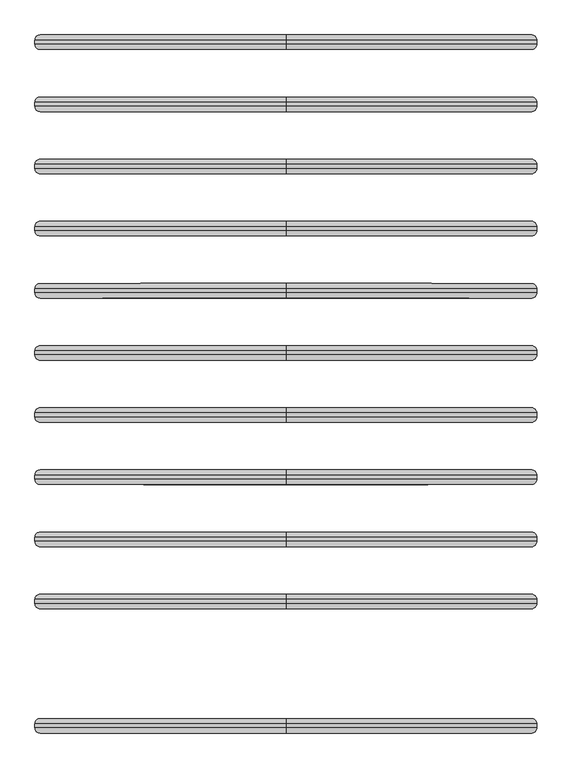
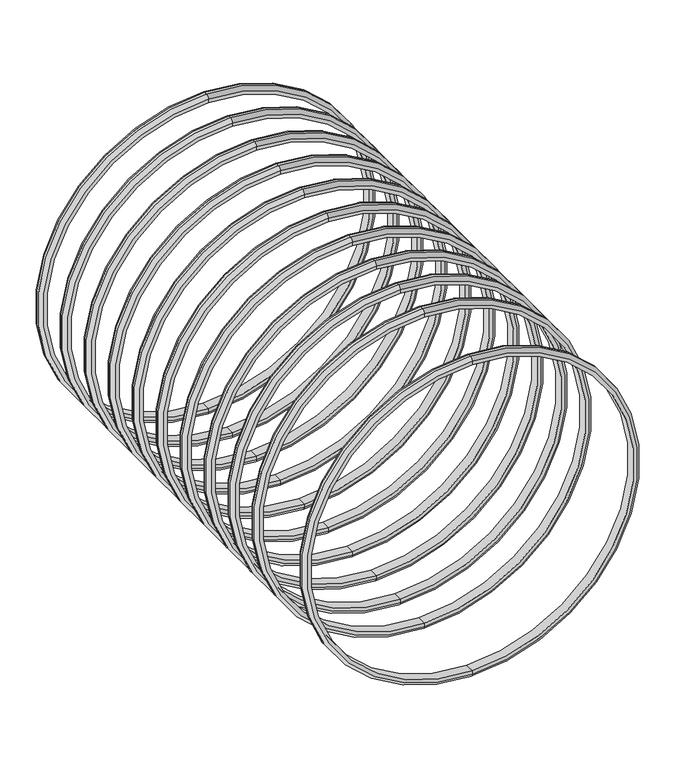
"""IFC4 building model written with IfcOpenShell, lengths in millimetres: proxy geometry."""

from ifc_helpers import new_model, si_unit, point, frame, origin, place, context, project, spatial, polyline, circle_curve, ellipse_curve, trimmed, source, transform, mapped, element, save
from ifc_brep_helpers import plane_surface, cylinder_surface, revolved_surface, advanced_brep


def generic_models_9ea2743e(model_context):
    return source(origin(), model_context, "Body", "AdvancedBrep", [
        advanced_brep(
        [(0.0, -10934.5, -5669.0), (0.0, -10934.5, -3331.0), (0.0, -10934.5, -3306.0), (0.0, -10934.5, -5694.0), (0.0, -10864.5, -5669.0), (0.0, -10864.5, -3331.0), (0.0, -10864.5, -5694.0), (0.0, -10864.5, -3306.0), (0.0, -10909.5, -3281.0), (0.0, -10909.5, -5719.0), (0.0, -10889.5, -3281.0), (0.0, -10889.5, -5719.0)],
        [
            (0, 1, circle_curve(frame((0.0, -10934.5, -4500.0), z_axis=(0.0, 1.0, 0.0), x_axis=(0.0, 0.0, 1.0)), 1169.0)),
            (1, 2),
            (2, 3, circle_curve(frame((0.0, -10934.5, -4500.0), z_axis=(0.0, -1.0, 0.0), x_axis=(0.0, 0.0, 1.0)), 1194.0)),
            (3, 0),
            (4, 5, circle_curve(frame((0.0, -10864.5, -4500.0), z_axis=(0.0, 1.0, 0.0), x_axis=(0.0, 0.0, 1.0)), 1169.0)),
            (5, 1),
            (0, 4),
            (6, 7, circle_curve(frame((0.0, -10864.5, -4500.0), z_axis=(0.0, 1.0, 0.0), x_axis=(0.0, 0.0, 1.0)), 1194.0)),
            (7, 5),
            (4, 6),
            (7, 6, circle_curve(frame((0.0, -10864.5, -4500.0), z_axis=(0.0, 1.0, 0.0), x_axis=(0.0, 0.0, 1.0)), 1194.0)),
            (4, 5, circle_curve(frame((0.0, -10864.5, -4500.0), z_axis=(0.0, -1.0, 0.0), x_axis=(0.0, 0.0, 1.0)), 1169.0)),
            (0, 1, circle_curve(frame((0.0, -10934.5, -4500.0), z_axis=(0.0, -1.0, 0.0), x_axis=(0.0, 0.0, 1.0)), 1169.0)),
            (3, 2, circle_curve(frame((0.0, -10934.5, -4500.0), z_axis=(0.0, -1.0, 0.0), x_axis=(0.0, 0.0, 1.0)), 1194.0)),
            (2, 8, circle_curve(frame((0.0, -10909.5, -3306.0), z_axis=(-1.0, 0.0, 0.0), x_axis=(0.0, -1.0, 0.0)), 25.0)),
            (8, 9, circle_curve(frame((0.0, -10909.5, -4500.0), z_axis=(0.0, -1.0, 0.0), x_axis=(0.0, 0.0, 1.0)), 1219.0)),
            (9, 3, circle_curve(frame((0.0, -10909.5, -5694.0), z_axis=(-1.0, 0.0, 0.0), x_axis=(0.0, -1.0, 0.0)), 25.0)),
            (9, 8, circle_curve(frame((0.0, -10909.5, -4500.0), z_axis=(0.0, -1.0, 0.0), x_axis=(0.0, 0.0, 1.0)), 1219.0)),
            (8, 10),
            (10, 11, circle_curve(frame((0.0, -10889.5, -4500.0), z_axis=(0.0, -1.0, 0.0), x_axis=(0.0, 0.0, 1.0)), 1219.0)),
            (11, 9),
            (11, 10, circle_curve(frame((0.0, -10889.5, -4500.0), z_axis=(0.0, -1.0, 0.0), x_axis=(0.0, 0.0, 1.0)), 1219.0)),
            (10, 7, circle_curve(frame((0.0, -10889.5, -3306.0), z_axis=(-1.0, 0.0, 0.0), x_axis=(0.0, -1.0, 0.0)), 25.0)),
            (6, 11, circle_curve(frame((0.0, -10889.5, -5694.0), z_axis=(-1.0, 0.0, 0.0), x_axis=(0.0, -1.0, 0.0)), 25.0)),
        ],
        [
            plane_surface(frame((0.0, -10934.5, -4500.0), z_axis=(0.0, -1.0, 0.0), x_axis=(0.0, 0.0, 1.0))),
            revolved_surface(polyline([(0.0, -10934.5, -3331.0), (0.0, -10864.5, -3331.0)]), (0.0, -11044.5, -4500.0), (0.0, -1.0, 0.0)),
            plane_surface(frame((0.0, -10864.5, -4500.0), z_axis=(0.0, 1.0, 0.0), x_axis=(0.0, 0.0, 1.0))),
            revolved_surface(trimmed(ellipse_curve(frame((0.0, -10909.5, -3306.0), z_axis=(1.0, 0.0, 0.0), x_axis=(0.0, -1.0, 0.0)), 25.0, 25.0), [point((0.0, -10909.5, -3281.0))], [point((0.0, -10934.5, -3306.0))], True, "CARTESIAN"), (0.0, -11044.5, -4500.0), (0.0, -1.0, 0.0)),
            cylinder_surface(frame((0.0, -11044.5, -4500.0), z_axis=(0.0, -1.0, 0.0), x_axis=(0.0, 0.0, 1.0)), 1219.0),
            revolved_surface(trimmed(ellipse_curve(frame((0.0, -10889.5, -3306.0), z_axis=(1.0, 0.0, 0.0), x_axis=(0.0, -1.0, 0.0)), 25.0, 25.0), [point((0.0, -10864.5, -3306.0))], [point((0.0, -10889.5, -3281.0))], True, "CARTESIAN"), (0.0, -11044.5, -4500.0), (0.0, -1.0, 0.0)),
        ],
        [
            (0, [[1, 2, 3, 4]]),
            (1, [[5, 6, -1, 7]]),
            (2, [[8, 9, -5, 10]]),
            (2, [[11, -10, 12, -9]]),
            (1, [[-12, -7, 13, -6]]),
            (0, [[-13, -4, 14, -2]]),
            (3, [[-3, 15, 16, 17]]),
            (3, [[-14, -17, 18, -15]]),
            (4, [[-16, 19, 20, 21]]),
            (4, [[-18, -21, 22, -19]]),
            (5, [[-20, 23, -8, 24]]),
            (5, [[-22, -24, -11, -23]]),
        ],
    ),
        advanced_brep(
        [(0.0, -10334.5, -5669.0), (0.0, -10334.5, -3331.0), (0.0, -10334.5, -3306.0), (0.0, -10334.5, -5694.0), (0.0, -10264.5, -5669.0), (0.0, -10264.5, -3331.0), (0.0, -10264.5, -5694.0), (0.0, -10264.5, -3306.0), (0.0, -10309.5, -3281.0), (0.0, -10309.5, -5719.0), (0.0, -10289.5, -3281.0), (0.0, -10289.5, -5719.0)],
        [
            (0, 1, circle_curve(frame((0.0, -10334.5, -4500.0), z_axis=(0.0, 1.0, 0.0), x_axis=(0.0, 0.0, 1.0)), 1169.0)),
            (1, 2),
            (2, 3, circle_curve(frame((0.0, -10334.5, -4500.0), z_axis=(0.0, -1.0, 0.0), x_axis=(0.0, 0.0, 1.0)), 1194.0)),
            (3, 0),
            (4, 5, circle_curve(frame((0.0, -10264.5, -4500.0), z_axis=(0.0, 1.0, 0.0), x_axis=(0.0, 0.0, 1.0)), 1169.0)),
            (5, 1),
            (0, 4),
            (6, 7, circle_curve(frame((0.0, -10264.5, -4500.0), z_axis=(0.0, 1.0, 0.0), x_axis=(0.0, 0.0, 1.0)), 1194.0)),
            (7, 5),
            (4, 6),
            (7, 6, circle_curve(frame((0.0, -10264.5, -4500.0), z_axis=(0.0, 1.0, 0.0), x_axis=(0.0, 0.0, 1.0)), 1194.0)),
            (4, 5, circle_curve(frame((0.0, -10264.5, -4500.0), z_axis=(0.0, -1.0, 0.0), x_axis=(0.0, 0.0, 1.0)), 1169.0)),
            (0, 1, circle_curve(frame((0.0, -10334.5, -4500.0), z_axis=(0.0, -1.0, 0.0), x_axis=(0.0, 0.0, 1.0)), 1169.0)),
            (3, 2, circle_curve(frame((0.0, -10334.5, -4500.0), z_axis=(0.0, -1.0, 0.0), x_axis=(0.0, 0.0, 1.0)), 1194.0)),
            (2, 8, circle_curve(frame((0.0, -10309.5, -3306.0), z_axis=(-1.0, 0.0, 0.0), x_axis=(0.0, -1.0, 0.0)), 25.0)),
            (8, 9, circle_curve(frame((0.0, -10309.5, -4500.0), z_axis=(0.0, -1.0, 0.0), x_axis=(0.0, 0.0, 1.0)), 1219.0)),
            (9, 3, circle_curve(frame((0.0, -10309.5, -5694.0), z_axis=(-1.0, 0.0, 0.0), x_axis=(0.0, -1.0, 0.0)), 25.0)),
            (9, 8, circle_curve(frame((0.0, -10309.5, -4500.0), z_axis=(0.0, -1.0, 0.0), x_axis=(0.0, 0.0, 1.0)), 1219.0)),
            (8, 10),
            (10, 11, circle_curve(frame((0.0, -10289.5, -4500.0), z_axis=(0.0, -1.0, 0.0), x_axis=(0.0, 0.0, 1.0)), 1219.0)),
            (11, 9),
            (11, 10, circle_curve(frame((0.0, -10289.5, -4500.0), z_axis=(0.0, -1.0, 0.0), x_axis=(0.0, 0.0, 1.0)), 1219.0)),
            (10, 7, circle_curve(frame((0.0, -10289.5, -3306.0), z_axis=(-1.0, 0.0, 0.0), x_axis=(0.0, -1.0, 0.0)), 25.0)),
            (6, 11, circle_curve(frame((0.0, -10289.5, -5694.0), z_axis=(-1.0, 0.0, 0.0), x_axis=(0.0, -1.0, 0.0)), 25.0)),
        ],
        [
            plane_surface(frame((0.0, -10334.5, -4500.0), z_axis=(0.0, -1.0, 0.0), x_axis=(0.0, 0.0, 1.0))),
            revolved_surface(polyline([(0.0, -10334.5, -3331.0), (0.0, -10264.5, -3331.0)]), (0.0, -10444.5, -4500.0), (0.0, -1.0, 0.0)),
            plane_surface(frame((0.0, -10264.5, -4500.0), z_axis=(0.0, 1.0, 0.0), x_axis=(0.0, 0.0, 1.0))),
            revolved_surface(trimmed(ellipse_curve(frame((0.0, -10309.5, -3306.0), z_axis=(1.0, 0.0, 0.0), x_axis=(0.0, -1.0, 0.0)), 25.0, 25.0), [point((0.0, -10309.5, -3281.0))], [point((0.0, -10334.5, -3306.0))], True, "CARTESIAN"), (0.0, -10444.5, -4500.0), (0.0, -1.0, 0.0)),
            cylinder_surface(frame((0.0, -10444.5, -4500.0), z_axis=(0.0, -1.0, 0.0), x_axis=(0.0, 0.0, 1.0)), 1219.0),
            revolved_surface(trimmed(ellipse_curve(frame((0.0, -10289.5, -3306.0), z_axis=(1.0, 0.0, 0.0), x_axis=(0.0, -1.0, 0.0)), 25.0, 25.0), [point((0.0, -10264.5, -3306.0))], [point((0.0, -10289.5, -3281.0))], True, "CARTESIAN"), (0.0, -10444.5, -4500.0), (0.0, -1.0, 0.0)),
        ],
        [
            (0, [[1, 2, 3, 4]]),
            (1, [[5, 6, -1, 7]]),
            (2, [[8, 9, -5, 10]]),
            (2, [[11, -10, 12, -9]]),
            (1, [[-12, -7, 13, -6]]),
            (0, [[-13, -4, 14, -2]]),
            (3, [[-3, 15, 16, 17]]),
            (3, [[-14, -17, 18, -15]]),
            (4, [[-16, 19, 20, 21]]),
            (4, [[-18, -21, 22, -19]]),
            (5, [[-20, 23, -8, 24]]),
            (5, [[-22, -24, -11, -23]]),
        ],
    ),
        advanced_brep(
        [(0.0, -10034.5, -5669.0), (0.0, -10034.5, -3331.0), (0.0, -10034.5, -3306.0), (0.0, -10034.5, -5694.0), (0.0, -9964.5, -5669.0), (0.0, -9964.5, -3331.0), (0.0, -9964.5, -5694.0), (0.0, -9964.5, -3306.0), (0.0, -10009.5, -3281.0), (0.0, -10009.5, -5719.0), (0.0, -9989.5, -3281.0), (0.0, -9989.5, -5719.0)],
        [
            (0, 1, circle_curve(frame((0.0, -10034.5, -4500.0), z_axis=(0.0, 1.0, 0.0), x_axis=(0.0, 0.0, 1.0)), 1169.0)),
            (1, 2),
            (2, 3, circle_curve(frame((0.0, -10034.5, -4500.0), z_axis=(0.0, -1.0, 0.0), x_axis=(0.0, 0.0, 1.0)), 1194.0)),
            (3, 0),
            (4, 5, circle_curve(frame((0.0, -9964.5, -4500.0), z_axis=(0.0, 1.0, 0.0), x_axis=(0.0, 0.0, 1.0)), 1169.0)),
            (5, 1),
            (0, 4),
            (6, 7, circle_curve(frame((0.0, -9964.5, -4500.0), z_axis=(0.0, 1.0, 0.0), x_axis=(0.0, 0.0, 1.0)), 1194.0)),
            (7, 5),
            (4, 6),
            (7, 6, circle_curve(frame((0.0, -9964.5, -4500.0), z_axis=(0.0, 1.0, 0.0), x_axis=(0.0, 0.0, 1.0)), 1194.0)),
            (4, 5, circle_curve(frame((0.0, -9964.5, -4500.0), z_axis=(0.0, -1.0, 0.0), x_axis=(0.0, 0.0, 1.0)), 1169.0)),
            (0, 1, circle_curve(frame((0.0, -10034.5, -4500.0), z_axis=(0.0, -1.0, 0.0), x_axis=(0.0, 0.0, 1.0)), 1169.0)),
            (3, 2, circle_curve(frame((0.0, -10034.5, -4500.0), z_axis=(0.0, -1.0, 0.0), x_axis=(0.0, 0.0, 1.0)), 1194.0)),
            (2, 8, circle_curve(frame((0.0, -10009.5, -3306.0), z_axis=(-1.0, 0.0, 0.0), x_axis=(0.0, -1.0, 0.0)), 25.0)),
            (8, 9, circle_curve(frame((0.0, -10009.5, -4500.0), z_axis=(0.0, -1.0, 0.0), x_axis=(0.0, 0.0, 1.0)), 1219.0)),
            (9, 3, circle_curve(frame((0.0, -10009.5, -5694.0), z_axis=(-1.0, 0.0, 0.0), x_axis=(0.0, -1.0, 0.0)), 25.0)),
            (9, 8, circle_curve(frame((0.0, -10009.5, -4500.0), z_axis=(0.0, -1.0, 0.0), x_axis=(0.0, 0.0, 1.0)), 1219.0)),
            (8, 10),
            (10, 11, circle_curve(frame((0.0, -9989.5, -4500.0), z_axis=(0.0, -1.0, 0.0), x_axis=(0.0, 0.0, 1.0)), 1219.0)),
            (11, 9),
            (11, 10, circle_curve(frame((0.0, -9989.5, -4500.0), z_axis=(0.0, -1.0, 0.0), x_axis=(0.0, 0.0, 1.0)), 1219.0)),
            (10, 7, circle_curve(frame((0.0, -9989.5, -3306.0), z_axis=(-1.0, 0.0, 0.0), x_axis=(0.0, -1.0, 0.0)), 25.0)),
            (6, 11, circle_curve(frame((0.0, -9989.5, -5694.0), z_axis=(-1.0, 0.0, 0.0), x_axis=(0.0, -1.0, 0.0)), 25.0)),
        ],
        [
            plane_surface(frame((0.0, -10034.5, -4500.0), z_axis=(0.0, -1.0, 0.0), x_axis=(0.0, 0.0, 1.0))),
            revolved_surface(polyline([(0.0, -10034.5, -3331.0), (0.0, -9964.5, -3331.0)]), (0.0, -10144.5, -4500.0), (0.0, -1.0, 0.0)),
            plane_surface(frame((0.0, -9964.5, -4500.0), z_axis=(0.0, 1.0, 0.0), x_axis=(0.0, 0.0, 1.0))),
            revolved_surface(trimmed(ellipse_curve(frame((0.0, -10009.5, -3306.0), z_axis=(1.0, 0.0, 0.0), x_axis=(0.0, -1.0, 0.0)), 25.0, 25.0), [point((0.0, -10009.5, -3281.0))], [point((0.0, -10034.5, -3306.0))], True, "CARTESIAN"), (0.0, -10144.5, -4500.0), (0.0, -1.0, 0.0)),
            cylinder_surface(frame((0.0, -10144.5, -4500.0), z_axis=(0.0, -1.0, 0.0), x_axis=(0.0, 0.0, 1.0)), 1219.0),
            revolved_surface(trimmed(ellipse_curve(frame((0.0, -9989.5, -3306.0), z_axis=(1.0, 0.0, 0.0), x_axis=(0.0, -1.0, 0.0)), 25.0, 25.0), [point((0.0, -9964.5, -3306.0))], [point((0.0, -9989.5, -3281.0))], True, "CARTESIAN"), (0.0, -10144.5, -4500.0), (0.0, -1.0, 0.0)),
        ],
        [
            (0, [[1, 2, 3, 4]]),
            (1, [[5, 6, -1, 7]]),
            (2, [[8, 9, -5, 10]]),
            (2, [[11, -10, 12, -9]]),
            (1, [[-12, -7, 13, -6]]),
            (0, [[-13, -4, 14, -2]]),
            (3, [[-3, 15, 16, 17]]),
            (3, [[-14, -17, 18, -15]]),
            (4, [[-16, 19, 20, 21]]),
            (4, [[-18, -21, 22, -19]]),
            (5, [[-20, 23, -8, 24]]),
            (5, [[-22, -24, -11, -23]]),
        ],
    ),
        advanced_brep(
        [(0.0, -9734.5, -5669.0), (0.0, -9734.5, -3331.0), (0.0, -9734.5, -3306.0), (0.0, -9734.5, -5694.0), (0.0, -9664.5, -5669.0), (0.0, -9664.5, -3331.0), (0.0, -9664.5, -5694.0), (0.0, -9664.5, -3306.0), (0.0, -9709.5, -3281.0), (0.0, -9709.5, -5719.0), (0.0, -9689.5, -3281.0), (0.0, -9689.5, -5719.0)],
        [
            (0, 1, circle_curve(frame((0.0, -9734.5, -4500.0), z_axis=(0.0, 1.0, 0.0), x_axis=(0.0, 0.0, 1.0)), 1169.0)),
            (1, 2),
            (2, 3, circle_curve(frame((0.0, -9734.5, -4500.0), z_axis=(0.0, -1.0, 0.0), x_axis=(0.0, 0.0, 1.0)), 1194.0)),
            (3, 0),
            (4, 5, circle_curve(frame((0.0, -9664.5, -4500.0), z_axis=(0.0, 1.0, 0.0), x_axis=(0.0, 0.0, 1.0)), 1169.0)),
            (5, 1),
            (0, 4),
            (6, 7, circle_curve(frame((0.0, -9664.5, -4500.0), z_axis=(0.0, 1.0, 0.0), x_axis=(0.0, 0.0, 1.0)), 1194.0)),
            (7, 5),
            (4, 6),
            (7, 6, circle_curve(frame((0.0, -9664.5, -4500.0), z_axis=(0.0, 1.0, 0.0), x_axis=(0.0, 0.0, 1.0)), 1194.0)),
            (4, 5, circle_curve(frame((0.0, -9664.5, -4500.0), z_axis=(0.0, -1.0, 0.0), x_axis=(0.0, 0.0, 1.0)), 1169.0)),
            (0, 1, circle_curve(frame((0.0, -9734.5, -4500.0), z_axis=(0.0, -1.0, 0.0), x_axis=(0.0, 0.0, 1.0)), 1169.0)),
            (3, 2, circle_curve(frame((0.0, -9734.5, -4500.0), z_axis=(0.0, -1.0, 0.0), x_axis=(0.0, 0.0, 1.0)), 1194.0)),
            (2, 8, circle_curve(frame((0.0, -9709.5, -3306.0), z_axis=(-1.0, 0.0, 0.0), x_axis=(0.0, -1.0, 0.0)), 25.0)),
            (8, 9, circle_curve(frame((0.0, -9709.5, -4500.0), z_axis=(0.0, -1.0, 0.0), x_axis=(0.0, 0.0, 1.0)), 1219.0)),
            (9, 3, circle_curve(frame((0.0, -9709.5, -5694.0), z_axis=(-1.0, 0.0, 0.0), x_axis=(0.0, -1.0, 0.0)), 25.0)),
            (9, 8, circle_curve(frame((0.0, -9709.5, -4500.0), z_axis=(0.0, -1.0, 0.0), x_axis=(0.0, 0.0, 1.0)), 1219.0)),
            (8, 10),
            (10, 11, circle_curve(frame((0.0, -9689.5, -4500.0), z_axis=(0.0, -1.0, 0.0), x_axis=(0.0, 0.0, 1.0)), 1219.0)),
            (11, 9),
            (11, 10, circle_curve(frame((0.0, -9689.5, -4500.0), z_axis=(0.0, -1.0, 0.0), x_axis=(0.0, 0.0, 1.0)), 1219.0)),
            (10, 7, circle_curve(frame((0.0, -9689.5, -3306.0), z_axis=(-1.0, 0.0, 0.0), x_axis=(0.0, -1.0, 0.0)), 25.0)),
            (6, 11, circle_curve(frame((0.0, -9689.5, -5694.0), z_axis=(-1.0, 0.0, 0.0), x_axis=(0.0, -1.0, 0.0)), 25.0)),
        ],
        [
            plane_surface(frame((0.0, -9734.5, -4500.0), z_axis=(0.0, -1.0, 0.0), x_axis=(0.0, 0.0, 1.0))),
            revolved_surface(polyline([(0.0, -9734.5, -3331.0), (0.0, -9664.5, -3331.0)]), (0.0, -9844.5, -4500.0), (0.0, -1.0, 0.0)),
            plane_surface(frame((0.0, -9664.5, -4500.0), z_axis=(0.0, 1.0, 0.0), x_axis=(0.0, 0.0, 1.0))),
            revolved_surface(trimmed(ellipse_curve(frame((0.0, -9709.5, -3306.0), z_axis=(1.0, 0.0, 0.0), x_axis=(0.0, -1.0, 0.0)), 25.0, 25.0), [point((0.0, -9709.5, -3281.0))], [point((0.0, -9734.5, -3306.0))], True, "CARTESIAN"), (0.0, -9844.5, -4500.0), (0.0, -1.0, 0.0)),
            cylinder_surface(frame((0.0, -9844.5, -4500.0), z_axis=(0.0, -1.0, 0.0), x_axis=(0.0, 0.0, 1.0)), 1219.0),
            revolved_surface(trimmed(ellipse_curve(frame((0.0, -9689.5, -3306.0), z_axis=(1.0, 0.0, 0.0), x_axis=(0.0, -1.0, 0.0)), 25.0, 25.0), [point((0.0, -9664.5, -3306.0))], [point((0.0, -9689.5, -3281.0))], True, "CARTESIAN"), (0.0, -9844.5, -4500.0), (0.0, -1.0, 0.0)),
        ],
        [
            (0, [[1, 2, 3, 4]]),
            (1, [[5, 6, -1, 7]]),
            (2, [[8, 9, -5, 10]]),
            (2, [[11, -10, 12, -9]]),
            (1, [[-12, -7, 13, -6]]),
            (0, [[-13, -4, 14, -2]]),
            (3, [[-3, 15, 16, 17]]),
            (3, [[-14, -17, 18, -15]]),
            (4, [[-16, 19, 20, 21]]),
            (4, [[-18, -21, 22, -19]]),
            (5, [[-20, 23, -8, 24]]),
            (5, [[-22, -24, -11, -23]]),
        ],
    ),
        advanced_brep(
        [(0.0, -9434.5, -5669.0), (0.0, -9434.5, -3331.0), (0.0, -9434.5, -3306.0), (0.0, -9434.5, -5694.0), (0.0, -9364.5, -5669.0), (0.0, -9364.5, -3331.0), (0.0, -9364.5, -5694.0), (0.0, -9364.5, -3306.0), (0.0, -9409.5, -3281.0), (0.0, -9409.5, -5719.0), (0.0, -9389.5, -3281.0), (0.0, -9389.5, -5719.0)],
        [
            (0, 1, circle_curve(frame((0.0, -9434.5, -4500.0), z_axis=(0.0, 1.0, 0.0), x_axis=(0.0, 0.0, 1.0)), 1169.0)),
            (1, 2),
            (2, 3, circle_curve(frame((0.0, -9434.5, -4500.0), z_axis=(0.0, -1.0, 0.0), x_axis=(0.0, 0.0, 1.0)), 1194.0)),
            (3, 0),
            (4, 5, circle_curve(frame((0.0, -9364.5, -4500.0), z_axis=(0.0, 1.0, 0.0), x_axis=(0.0, 0.0, 1.0)), 1169.0)),
            (5, 1),
            (0, 4),
            (6, 7, circle_curve(frame((0.0, -9364.5, -4500.0), z_axis=(0.0, 1.0, 0.0), x_axis=(0.0, 0.0, 1.0)), 1194.0)),
            (7, 5),
            (4, 6),
            (7, 6, circle_curve(frame((0.0, -9364.5, -4500.0), z_axis=(0.0, 1.0, 0.0), x_axis=(0.0, 0.0, 1.0)), 1194.0)),
            (4, 5, circle_curve(frame((0.0, -9364.5, -4500.0), z_axis=(0.0, -1.0, 0.0), x_axis=(0.0, 0.0, 1.0)), 1169.0)),
            (0, 1, circle_curve(frame((0.0, -9434.5, -4500.0), z_axis=(0.0, -1.0, 0.0), x_axis=(0.0, 0.0, 1.0)), 1169.0)),
            (3, 2, circle_curve(frame((0.0, -9434.5, -4500.0), z_axis=(0.0, -1.0, 0.0), x_axis=(0.0, 0.0, 1.0)), 1194.0)),
            (2, 8, circle_curve(frame((0.0, -9409.5, -3306.0), z_axis=(-1.0, 0.0, 0.0), x_axis=(0.0, -1.0, 0.0)), 25.0)),
            (8, 9, circle_curve(frame((0.0, -9409.5, -4500.0), z_axis=(0.0, -1.0, 0.0), x_axis=(0.0, 0.0, 1.0)), 1219.0)),
            (9, 3, circle_curve(frame((0.0, -9409.5, -5694.0), z_axis=(-1.0, 0.0, 0.0), x_axis=(0.0, -1.0, 0.0)), 25.0)),
            (9, 8, circle_curve(frame((0.0, -9409.5, -4500.0), z_axis=(0.0, -1.0, 0.0), x_axis=(0.0, 0.0, 1.0)), 1219.0)),
            (8, 10),
            (10, 11, circle_curve(frame((0.0, -9389.5, -4500.0), z_axis=(0.0, -1.0, 0.0), x_axis=(0.0, 0.0, 1.0)), 1219.0)),
            (11, 9),
            (11, 10, circle_curve(frame((0.0, -9389.5, -4500.0), z_axis=(0.0, -1.0, 0.0), x_axis=(0.0, 0.0, 1.0)), 1219.0)),
            (10, 7, circle_curve(frame((0.0, -9389.5, -3306.0), z_axis=(-1.0, 0.0, 0.0), x_axis=(0.0, -1.0, 0.0)), 25.0)),
            (6, 11, circle_curve(frame((0.0, -9389.5, -5694.0), z_axis=(-1.0, 0.0, 0.0), x_axis=(0.0, -1.0, 0.0)), 25.0)),
        ],
        [
            plane_surface(frame((0.0, -9434.5, -4500.0), z_axis=(0.0, -1.0, 0.0), x_axis=(0.0, 0.0, 1.0))),
            revolved_surface(polyline([(0.0, -9434.5, -3331.0), (0.0, -9364.5, -3331.0)]), (0.0, -9544.5, -4500.0), (0.0, -1.0, 0.0)),
            plane_surface(frame((0.0, -9364.5, -4500.0), z_axis=(0.0, 1.0, 0.0), x_axis=(0.0, 0.0, 1.0))),
            revolved_surface(trimmed(ellipse_curve(frame((0.0, -9409.5, -3306.0), z_axis=(1.0, 0.0, 0.0), x_axis=(0.0, -1.0, 0.0)), 25.0, 25.0), [point((0.0, -9409.5, -3281.0))], [point((0.0, -9434.5, -3306.0))], True, "CARTESIAN"), (0.0, -9544.5, -4500.0), (0.0, -1.0, 0.0)),
            cylinder_surface(frame((0.0, -9544.5, -4500.0), z_axis=(0.0, -1.0, 0.0), x_axis=(0.0, 0.0, 1.0)), 1219.0),
            revolved_surface(trimmed(ellipse_curve(frame((0.0, -9389.5, -3306.0), z_axis=(1.0, 0.0, 0.0), x_axis=(0.0, -1.0, 0.0)), 25.0, 25.0), [point((0.0, -9364.5, -3306.0))], [point((0.0, -9389.5, -3281.0))], True, "CARTESIAN"), (0.0, -9544.5, -4500.0), (0.0, -1.0, 0.0)),
        ],
        [
            (0, [[1, 2, 3, 4]]),
            (1, [[5, 6, -1, 7]]),
            (2, [[8, 9, -5, 10]]),
            (2, [[11, -10, 12, -9]]),
            (1, [[-12, -7, 13, -6]]),
            (0, [[-13, -4, 14, -2]]),
            (3, [[-3, 15, 16, 17]]),
            (3, [[-14, -17, 18, -15]]),
            (4, [[-16, 19, 20, 21]]),
            (4, [[-18, -21, 22, -19]]),
            (5, [[-20, 23, -8, 24]]),
            (5, [[-22, -24, -11, -23]]),
        ],
    ),
        advanced_brep(
        [(0.0, -9134.5, -5669.0), (0.0, -9134.5, -3331.0), (0.0, -9134.5, -3306.0), (0.0, -9134.5, -5694.0), (0.0, -9064.5, -5669.0), (0.0, -9064.5, -3331.0), (0.0, -9064.5, -5694.0), (0.0, -9064.5, -3306.0), (0.0, -9109.5, -3281.0), (0.0, -9109.5, -5719.0), (0.0, -9089.5, -3281.0), (0.0, -9089.5, -5719.0)],
        [
            (0, 1, circle_curve(frame((0.0, -9134.5, -4500.0), z_axis=(0.0, 1.0, 0.0), x_axis=(0.0, 0.0, 1.0)), 1169.0)),
            (1, 2),
            (2, 3, circle_curve(frame((0.0, -9134.5, -4500.0), z_axis=(0.0, -1.0, 0.0), x_axis=(0.0, 0.0, 1.0)), 1194.0)),
            (3, 0),
            (4, 5, circle_curve(frame((0.0, -9064.5, -4500.0), z_axis=(0.0, 1.0, 0.0), x_axis=(0.0, 0.0, 1.0)), 1169.0)),
            (5, 1),
            (0, 4),
            (6, 7, circle_curve(frame((0.0, -9064.5, -4500.0), z_axis=(0.0, 1.0, 0.0), x_axis=(0.0, 0.0, 1.0)), 1194.0)),
            (7, 5),
            (4, 6),
            (7, 6, circle_curve(frame((0.0, -9064.5, -4500.0), z_axis=(0.0, 1.0, 0.0), x_axis=(0.0, 0.0, 1.0)), 1194.0)),
            (4, 5, circle_curve(frame((0.0, -9064.5, -4500.0), z_axis=(0.0, -1.0, 0.0), x_axis=(0.0, 0.0, 1.0)), 1169.0)),
            (0, 1, circle_curve(frame((0.0, -9134.5, -4500.0), z_axis=(0.0, -1.0, 0.0), x_axis=(0.0, 0.0, 1.0)), 1169.0)),
            (3, 2, circle_curve(frame((0.0, -9134.5, -4500.0), z_axis=(0.0, -1.0, 0.0), x_axis=(0.0, 0.0, 1.0)), 1194.0)),
            (2, 8, circle_curve(frame((0.0, -9109.5, -3306.0), z_axis=(-1.0, 0.0, 0.0), x_axis=(0.0, -1.0, 0.0)), 25.0)),
            (8, 9, circle_curve(frame((0.0, -9109.5, -4500.0), z_axis=(0.0, -1.0, 0.0), x_axis=(0.0, 0.0, 1.0)), 1219.0)),
            (9, 3, circle_curve(frame((0.0, -9109.5, -5694.0), z_axis=(-1.0, 0.0, 0.0), x_axis=(0.0, -1.0, 0.0)), 25.0)),
            (9, 8, circle_curve(frame((0.0, -9109.5, -4500.0), z_axis=(0.0, -1.0, 0.0), x_axis=(0.0, 0.0, 1.0)), 1219.0)),
            (8, 10),
            (10, 11, circle_curve(frame((0.0, -9089.5, -4500.0), z_axis=(0.0, -1.0, 0.0), x_axis=(0.0, 0.0, 1.0)), 1219.0)),
            (11, 9),
            (11, 10, circle_curve(frame((0.0, -9089.5, -4500.0), z_axis=(0.0, -1.0, 0.0), x_axis=(0.0, 0.0, 1.0)), 1219.0)),
            (10, 7, circle_curve(frame((0.0, -9089.5, -3306.0), z_axis=(-1.0, 0.0, 0.0), x_axis=(0.0, -1.0, 0.0)), 25.0)),
            (6, 11, circle_curve(frame((0.0, -9089.5, -5694.0), z_axis=(-1.0, 0.0, 0.0), x_axis=(0.0, -1.0, 0.0)), 25.0)),
        ],
        [
            plane_surface(frame((0.0, -9134.5, -4500.0), z_axis=(0.0, -1.0, 0.0), x_axis=(0.0, 0.0, 1.0))),
            revolved_surface(polyline([(0.0, -9134.5, -3331.0), (0.0, -9064.5, -3331.0)]), (0.0, -9244.5, -4500.0), (0.0, -1.0, 0.0)),
            plane_surface(frame((0.0, -9064.5, -4500.0), z_axis=(0.0, 1.0, 0.0), x_axis=(0.0, 0.0, 1.0))),
            revolved_surface(trimmed(ellipse_curve(frame((0.0, -9109.5, -3306.0), z_axis=(1.0, 0.0, 0.0), x_axis=(0.0, -1.0, 0.0)), 25.0, 25.0), [point((0.0, -9109.5, -3281.0))], [point((0.0, -9134.5, -3306.0))], True, "CARTESIAN"), (0.0, -9244.5, -4500.0), (0.0, -1.0, 0.0)),
            cylinder_surface(frame((0.0, -9244.5, -4500.0), z_axis=(0.0, -1.0, 0.0), x_axis=(0.0, 0.0, 1.0)), 1219.0),
            revolved_surface(trimmed(ellipse_curve(frame((0.0, -9089.5, -3306.0), z_axis=(1.0, 0.0, 0.0), x_axis=(0.0, -1.0, 0.0)), 25.0, 25.0), [point((0.0, -9064.5, -3306.0))], [point((0.0, -9089.5, -3281.0))], True, "CARTESIAN"), (0.0, -9244.5, -4500.0), (0.0, -1.0, 0.0)),
        ],
        [
            (0, [[1, 2, 3, 4]]),
            (1, [[5, 6, -1, 7]]),
            (2, [[8, 9, -5, 10]]),
            (2, [[11, -10, 12, -9]]),
            (1, [[-12, -7, 13, -6]]),
            (0, [[-13, -4, 14, -2]]),
            (3, [[-3, 15, 16, 17]]),
            (3, [[-14, -17, 18, -15]]),
            (4, [[-16, 19, 20, 21]]),
            (4, [[-18, -21, 22, -19]]),
            (5, [[-20, 23, -8, 24]]),
            (5, [[-22, -24, -11, -23]]),
        ],
    ),
        advanced_brep(
        [(0.0, -8834.5, -5669.0), (0.0, -8834.5, -3331.0), (0.0, -8834.5, -3306.0), (0.0, -8834.5, -5694.0), (0.0, -8764.5, -5669.0), (0.0, -8764.5, -3331.0), (0.0, -8764.5, -5694.0), (0.0, -8764.5, -3306.0), (0.0, -8809.5, -3281.0), (0.0, -8809.5, -5719.0), (0.0, -8789.5, -3281.0), (0.0, -8789.5, -5719.0)],
        [
            (0, 1, circle_curve(frame((0.0, -8834.5, -4500.0), z_axis=(0.0, 1.0, 0.0), x_axis=(0.0, 0.0, 1.0)), 1169.0)),
            (1, 2),
            (2, 3, circle_curve(frame((0.0, -8834.5, -4500.0), z_axis=(0.0, -1.0, 0.0), x_axis=(0.0, 0.0, 1.0)), 1194.0)),
            (3, 0),
            (4, 5, circle_curve(frame((0.0, -8764.5, -4500.0), z_axis=(0.0, 1.0, 0.0), x_axis=(0.0, 0.0, 1.0)), 1169.0)),
            (5, 1),
            (0, 4),
            (6, 7, circle_curve(frame((0.0, -8764.5, -4500.0), z_axis=(0.0, 1.0, 0.0), x_axis=(0.0, 0.0, 1.0)), 1194.0)),
            (7, 5),
            (4, 6),
            (7, 6, circle_curve(frame((0.0, -8764.5, -4500.0), z_axis=(0.0, 1.0, 0.0), x_axis=(0.0, 0.0, 1.0)), 1194.0)),
            (4, 5, circle_curve(frame((0.0, -8764.5, -4500.0), z_axis=(0.0, -1.0, 0.0), x_axis=(0.0, 0.0, 1.0)), 1169.0)),
            (0, 1, circle_curve(frame((0.0, -8834.5, -4500.0), z_axis=(0.0, -1.0, 0.0), x_axis=(0.0, 0.0, 1.0)), 1169.0)),
            (3, 2, circle_curve(frame((0.0, -8834.5, -4500.0), z_axis=(0.0, -1.0, 0.0), x_axis=(0.0, 0.0, 1.0)), 1194.0)),
            (2, 8, circle_curve(frame((0.0, -8809.5, -3306.0), z_axis=(-1.0, 0.0, 0.0), x_axis=(0.0, -1.0, 0.0)), 25.0)),
            (8, 9, circle_curve(frame((0.0, -8809.5, -4500.0), z_axis=(0.0, -1.0, 0.0), x_axis=(0.0, 0.0, 1.0)), 1219.0)),
            (9, 3, circle_curve(frame((0.0, -8809.5, -5694.0), z_axis=(-1.0, 0.0, 0.0), x_axis=(0.0, -1.0, 0.0)), 25.0)),
            (9, 8, circle_curve(frame((0.0, -8809.5, -4500.0), z_axis=(0.0, -1.0, 0.0), x_axis=(0.0, 0.0, 1.0)), 1219.0)),
            (8, 10),
            (10, 11, circle_curve(frame((0.0, -8789.5, -4500.0), z_axis=(0.0, -1.0, 0.0), x_axis=(0.0, 0.0, 1.0)), 1219.0)),
            (11, 9),
            (11, 10, circle_curve(frame((0.0, -8789.5, -4500.0), z_axis=(0.0, -1.0, 0.0), x_axis=(0.0, 0.0, 1.0)), 1219.0)),
            (10, 7, circle_curve(frame((0.0, -8789.5, -3306.0), z_axis=(-1.0, 0.0, 0.0), x_axis=(0.0, -1.0, 0.0)), 25.0)),
            (6, 11, circle_curve(frame((0.0, -8789.5, -5694.0), z_axis=(-1.0, 0.0, 0.0), x_axis=(0.0, -1.0, 0.0)), 25.0)),
        ],
        [
            plane_surface(frame((0.0, -8834.5, -4500.0), z_axis=(0.0, -1.0, 0.0), x_axis=(0.0, 0.0, 1.0))),
            revolved_surface(polyline([(0.0, -8834.5, -3331.0), (0.0, -8764.5, -3331.0)]), (0.0, -8944.5, -4500.0), (0.0, -1.0, 0.0)),
            plane_surface(frame((0.0, -8764.5, -4500.0), z_axis=(0.0, 1.0, 0.0), x_axis=(0.0, 0.0, 1.0))),
            revolved_surface(trimmed(ellipse_curve(frame((0.0, -8809.5, -3306.0), z_axis=(1.0, 0.0, 0.0), x_axis=(0.0, -1.0, 0.0)), 25.0, 25.0), [point((0.0, -8809.5, -3281.0))], [point((0.0, -8834.5, -3306.0))], True, "CARTESIAN"), (0.0, -8944.5, -4500.0), (0.0, -1.0, 0.0)),
            cylinder_surface(frame((0.0, -8944.5, -4500.0), z_axis=(0.0, -1.0, 0.0), x_axis=(0.0, 0.0, 1.0)), 1219.0),
            revolved_surface(trimmed(ellipse_curve(frame((0.0, -8789.5, -3306.0), z_axis=(1.0, 0.0, 0.0), x_axis=(0.0, -1.0, 0.0)), 25.0, 25.0), [point((0.0, -8764.5, -3306.0))], [point((0.0, -8789.5, -3281.0))], True, "CARTESIAN"), (0.0, -8944.5, -4500.0), (0.0, -1.0, 0.0)),
        ],
        [
            (0, [[1, 2, 3, 4]]),
            (1, [[5, 6, -1, 7]]),
            (2, [[8, 9, -5, 10]]),
            (2, [[11, -10, 12, -9]]),
            (1, [[-12, -7, 13, -6]]),
            (0, [[-13, -4, 14, -2]]),
            (3, [[-3, 15, 16, 17]]),
            (3, [[-14, -17, 18, -15]]),
            (4, [[-16, 19, 20, 21]]),
            (4, [[-18, -21, 22, -19]]),
            (5, [[-20, 23, -8, 24]]),
            (5, [[-22, -24, -11, -23]]),
        ],
    ),
        advanced_brep(
        [(0.0, -8534.5, -5669.0), (0.0, -8534.5, -3331.0), (0.0, -8534.5, -3306.0), (0.0, -8534.5, -5694.0), (0.0, -8464.5, -5669.0), (0.0, -8464.5, -3331.0), (0.0, -8464.5, -5694.0), (0.0, -8464.5, -3306.0), (0.0, -8509.5, -3281.0), (0.0, -8509.5, -5719.0), (0.0, -8489.5, -3281.0), (0.0, -8489.5, -5719.0)],
        [
            (0, 1, circle_curve(frame((0.0, -8534.5, -4500.0), z_axis=(0.0, 1.0, 0.0), x_axis=(0.0, 0.0, 1.0)), 1169.0)),
            (1, 2),
            (2, 3, circle_curve(frame((0.0, -8534.5, -4500.0), z_axis=(0.0, -1.0, 0.0), x_axis=(0.0, 0.0, 1.0)), 1194.0)),
            (3, 0),
            (4, 5, circle_curve(frame((0.0, -8464.5, -4500.0), z_axis=(0.0, 1.0, 0.0), x_axis=(0.0, 0.0, 1.0)), 1169.0)),
            (5, 1),
            (0, 4),
            (6, 7, circle_curve(frame((0.0, -8464.5, -4500.0), z_axis=(0.0, 1.0, 0.0), x_axis=(0.0, 0.0, 1.0)), 1194.0)),
            (7, 5),
            (4, 6),
            (7, 6, circle_curve(frame((0.0, -8464.5, -4500.0), z_axis=(0.0, 1.0, 0.0), x_axis=(0.0, 0.0, 1.0)), 1194.0)),
            (4, 5, circle_curve(frame((0.0, -8464.5, -4500.0), z_axis=(0.0, -1.0, 0.0), x_axis=(0.0, 0.0, 1.0)), 1169.0)),
            (0, 1, circle_curve(frame((0.0, -8534.5, -4500.0), z_axis=(0.0, -1.0, 0.0), x_axis=(0.0, 0.0, 1.0)), 1169.0)),
            (3, 2, circle_curve(frame((0.0, -8534.5, -4500.0), z_axis=(0.0, -1.0, 0.0), x_axis=(0.0, 0.0, 1.0)), 1194.0)),
            (2, 8, circle_curve(frame((0.0, -8509.5, -3306.0), z_axis=(-1.0, 0.0, 0.0), x_axis=(0.0, -1.0, 0.0)), 25.0)),
            (8, 9, circle_curve(frame((0.0, -8509.5, -4500.0), z_axis=(0.0, -1.0, 0.0), x_axis=(0.0, 0.0, 1.0)), 1219.0)),
            (9, 3, circle_curve(frame((0.0, -8509.5, -5694.0), z_axis=(-1.0, 0.0, 0.0), x_axis=(0.0, -1.0, 0.0)), 25.0)),
            (9, 8, circle_curve(frame((0.0, -8509.5, -4500.0), z_axis=(0.0, -1.0, 0.0), x_axis=(0.0, 0.0, 1.0)), 1219.0)),
            (8, 10),
            (10, 11, circle_curve(frame((0.0, -8489.5, -4500.0), z_axis=(0.0, -1.0, 0.0), x_axis=(0.0, 0.0, 1.0)), 1219.0)),
            (11, 9),
            (11, 10, circle_curve(frame((0.0, -8489.5, -4500.0), z_axis=(0.0, -1.0, 0.0), x_axis=(0.0, 0.0, 1.0)), 1219.0)),
            (10, 7, circle_curve(frame((0.0, -8489.5, -3306.0), z_axis=(-1.0, 0.0, 0.0), x_axis=(0.0, -1.0, 0.0)), 25.0)),
            (6, 11, circle_curve(frame((0.0, -8489.5, -5694.0), z_axis=(-1.0, 0.0, 0.0), x_axis=(0.0, -1.0, 0.0)), 25.0)),
        ],
        [
            plane_surface(frame((0.0, -8534.5, -4500.0), z_axis=(0.0, -1.0, 0.0), x_axis=(0.0, 0.0, 1.0))),
            revolved_surface(polyline([(0.0, -8534.5, -3331.0), (0.0, -8464.5, -3331.0)]), (0.0, -8644.5, -4500.0), (0.0, -1.0, 0.0)),
            plane_surface(frame((0.0, -8464.5, -4500.0), z_axis=(0.0, 1.0, 0.0), x_axis=(0.0, 0.0, 1.0))),
            revolved_surface(trimmed(ellipse_curve(frame((0.0, -8509.5, -3306.0), z_axis=(1.0, 0.0, 0.0), x_axis=(0.0, -1.0, 0.0)), 25.0, 25.0), [point((0.0, -8509.5, -3281.0))], [point((0.0, -8534.5, -3306.0))], True, "CARTESIAN"), (0.0, -8644.5, -4500.0), (0.0, -1.0, 0.0)),
            cylinder_surface(frame((0.0, -8644.5, -4500.0), z_axis=(0.0, -1.0, 0.0), x_axis=(0.0, 0.0, 1.0)), 1219.0),
            revolved_surface(trimmed(ellipse_curve(frame((0.0, -8489.5, -3306.0), z_axis=(1.0, 0.0, 0.0), x_axis=(0.0, -1.0, 0.0)), 25.0, 25.0), [point((0.0, -8464.5, -3306.0))], [point((0.0, -8489.5, -3281.0))], True, "CARTESIAN"), (0.0, -8644.5, -4500.0), (0.0, -1.0, 0.0)),
        ],
        [
            (0, [[1, 2, 3, 4]]),
            (1, [[5, 6, -1, 7]]),
            (2, [[8, 9, -5, 10]]),
            (2, [[11, -10, 12, -9]]),
            (1, [[-12, -7, 13, -6]]),
            (0, [[-13, -4, 14, -2]]),
            (3, [[-3, 15, 16, 17]]),
            (3, [[-14, -17, 18, -15]]),
            (4, [[-16, 19, 20, 21]]),
            (4, [[-18, -21, 22, -19]]),
            (5, [[-20, 23, -8, 24]]),
            (5, [[-22, -24, -11, -23]]),
        ],
    ),
        advanced_brep(
        [(0.0, -8234.5, -5669.0), (0.0, -8234.5, -3331.0), (0.0, -8234.5, -3306.0), (0.0, -8234.5, -5694.0), (0.0, -8164.5, -5669.0), (0.0, -8164.5, -3331.0), (0.0, -8164.5, -5694.0), (0.0, -8164.5, -3306.0), (0.0, -8209.5, -3281.0), (0.0, -8209.5, -5719.0), (0.0, -8189.5, -3281.0), (0.0, -8189.5, -5719.0)],
        [
            (0, 1, circle_curve(frame((0.0, -8234.5, -4500.0), z_axis=(0.0, 1.0, 0.0), x_axis=(0.0, 0.0, 1.0)), 1169.0)),
            (1, 2),
            (2, 3, circle_curve(frame((0.0, -8234.5, -4500.0), z_axis=(0.0, -1.0, 0.0), x_axis=(0.0, 0.0, 1.0)), 1194.0)),
            (3, 0),
            (4, 5, circle_curve(frame((0.0, -8164.5, -4500.0), z_axis=(0.0, 1.0, 0.0), x_axis=(0.0, 0.0, 1.0)), 1169.0)),
            (5, 1),
            (0, 4),
            (6, 7, circle_curve(frame((0.0, -8164.5, -4500.0), z_axis=(0.0, 1.0, 0.0), x_axis=(0.0, 0.0, 1.0)), 1194.0)),
            (7, 5),
            (4, 6),
            (7, 6, circle_curve(frame((0.0, -8164.5, -4500.0), z_axis=(0.0, 1.0, 0.0), x_axis=(0.0, 0.0, 1.0)), 1194.0)),
            (4, 5, circle_curve(frame((0.0, -8164.5, -4500.0), z_axis=(0.0, -1.0, 0.0), x_axis=(0.0, 0.0, 1.0)), 1169.0)),
            (0, 1, circle_curve(frame((0.0, -8234.5, -4500.0), z_axis=(0.0, -1.0, 0.0), x_axis=(0.0, 0.0, 1.0)), 1169.0)),
            (3, 2, circle_curve(frame((0.0, -8234.5, -4500.0), z_axis=(0.0, -1.0, 0.0), x_axis=(0.0, 0.0, 1.0)), 1194.0)),
            (2, 8, circle_curve(frame((0.0, -8209.5, -3306.0), z_axis=(-1.0, 0.0, 0.0), x_axis=(0.0, -1.0, 0.0)), 25.0)),
            (8, 9, circle_curve(frame((0.0, -8209.5, -4500.0), z_axis=(0.0, -1.0, 0.0), x_axis=(0.0, 0.0, 1.0)), 1219.0)),
            (9, 3, circle_curve(frame((0.0, -8209.5, -5694.0), z_axis=(-1.0, 0.0, 0.0), x_axis=(0.0, -1.0, 0.0)), 25.0)),
            (9, 8, circle_curve(frame((0.0, -8209.5, -4500.0), z_axis=(0.0, -1.0, 0.0), x_axis=(0.0, 0.0, 1.0)), 1219.0)),
            (8, 10),
            (10, 11, circle_curve(frame((0.0, -8189.5, -4500.0), z_axis=(0.0, -1.0, 0.0), x_axis=(0.0, 0.0, 1.0)), 1219.0)),
            (11, 9),
            (11, 10, circle_curve(frame((0.0, -8189.5, -4500.0), z_axis=(0.0, -1.0, 0.0), x_axis=(0.0, 0.0, 1.0)), 1219.0)),
            (10, 7, circle_curve(frame((0.0, -8189.5, -3306.0), z_axis=(-1.0, 0.0, 0.0), x_axis=(0.0, -1.0, 0.0)), 25.0)),
            (6, 11, circle_curve(frame((0.0, -8189.5, -5694.0), z_axis=(-1.0, 0.0, 0.0), x_axis=(0.0, -1.0, 0.0)), 25.0)),
        ],
        [
            plane_surface(frame((0.0, -8234.5, -4500.0), z_axis=(0.0, -1.0, 0.0), x_axis=(0.0, 0.0, 1.0))),
            revolved_surface(polyline([(0.0, -8234.5, -3331.0), (0.0, -8164.5, -3331.0)]), (0.0, -8344.5, -4500.0), (0.0, -1.0, 0.0)),
            plane_surface(frame((0.0, -8164.5, -4500.0), z_axis=(0.0, 1.0, 0.0), x_axis=(0.0, 0.0, 1.0))),
            revolved_surface(trimmed(ellipse_curve(frame((0.0, -8209.5, -3306.0), z_axis=(1.0, 0.0, 0.0), x_axis=(0.0, -1.0, 0.0)), 25.0, 25.0), [point((0.0, -8209.5, -3281.0))], [point((0.0, -8234.5, -3306.0))], True, "CARTESIAN"), (0.0, -8344.5, -4500.0), (0.0, -1.0, 0.0)),
            cylinder_surface(frame((0.0, -8344.5, -4500.0), z_axis=(0.0, -1.0, 0.0), x_axis=(0.0, 0.0, 1.0)), 1219.0),
            revolved_surface(trimmed(ellipse_curve(frame((0.0, -8189.5, -3306.0), z_axis=(1.0, 0.0, 0.0), x_axis=(0.0, -1.0, 0.0)), 25.0, 25.0), [point((0.0, -8164.5, -3306.0))], [point((0.0, -8189.5, -3281.0))], True, "CARTESIAN"), (0.0, -8344.5, -4500.0), (0.0, -1.0, 0.0)),
        ],
        [
            (0, [[1, 2, 3, 4]]),
            (1, [[5, 6, -1, 7]]),
            (2, [[8, 9, -5, 10]]),
            (2, [[11, -10, 12, -9]]),
            (1, [[-12, -7, 13, -6]]),
            (0, [[-13, -4, 14, -2]]),
            (3, [[-3, 15, 16, 17]]),
            (3, [[-14, -17, 18, -15]]),
            (4, [[-16, 19, 20, 21]]),
            (4, [[-18, -21, 22, -19]]),
            (5, [[-20, 23, -8, 24]]),
            (5, [[-22, -24, -11, -23]]),
        ],
    ),
        advanced_brep(
        [(0.0, -7934.5, -5669.0), (0.0, -7934.5, -3331.0), (0.0, -7934.5, -3306.0), (0.0, -7934.5, -5694.0), (0.0, -7864.5, -5669.0), (0.0, -7864.5, -3331.0), (0.0, -7864.5, -5694.0), (0.0, -7864.5, -3306.0), (0.0, -7909.5, -3281.0), (0.0, -7909.5, -5719.0), (0.0, -7889.5, -3281.0), (0.0, -7889.5, -5719.0)],
        [
            (0, 1, circle_curve(frame((0.0, -7934.5, -4500.0), z_axis=(0.0, 1.0, 0.0), x_axis=(0.0, 0.0, 1.0)), 1169.0)),
            (1, 2),
            (2, 3, circle_curve(frame((0.0, -7934.5, -4500.0), z_axis=(0.0, -1.0, 0.0), x_axis=(0.0, 0.0, 1.0)), 1194.0)),
            (3, 0),
            (4, 5, circle_curve(frame((0.0, -7864.5, -4500.0), z_axis=(0.0, 1.0, 0.0), x_axis=(0.0, 0.0, 1.0)), 1169.0)),
            (5, 1),
            (0, 4),
            (6, 7, circle_curve(frame((0.0, -7864.5, -4500.0), z_axis=(0.0, 1.0, 0.0), x_axis=(0.0, 0.0, 1.0)), 1194.0)),
            (7, 5),
            (4, 6),
            (7, 6, circle_curve(frame((0.0, -7864.5, -4500.0), z_axis=(0.0, 1.0, 0.0), x_axis=(0.0, 0.0, 1.0)), 1194.0)),
            (4, 5, circle_curve(frame((0.0, -7864.5, -4500.0), z_axis=(0.0, -1.0, 0.0), x_axis=(0.0, 0.0, 1.0)), 1169.0)),
            (0, 1, circle_curve(frame((0.0, -7934.5, -4500.0), z_axis=(0.0, -1.0, 0.0), x_axis=(0.0, 0.0, 1.0)), 1169.0)),
            (3, 2, circle_curve(frame((0.0, -7934.5, -4500.0), z_axis=(0.0, -1.0, 0.0), x_axis=(0.0, 0.0, 1.0)), 1194.0)),
            (2, 8, circle_curve(frame((0.0, -7909.5, -3306.0), z_axis=(-1.0, 0.0, 0.0), x_axis=(0.0, -1.0, 0.0)), 25.0)),
            (8, 9, circle_curve(frame((0.0, -7909.5, -4500.0), z_axis=(0.0, -1.0, 0.0), x_axis=(0.0, 0.0, 1.0)), 1219.0)),
            (9, 3, circle_curve(frame((0.0, -7909.5, -5694.0), z_axis=(-1.0, 0.0, 0.0), x_axis=(0.0, -1.0, 0.0)), 25.0)),
            (9, 8, circle_curve(frame((0.0, -7909.5, -4500.0), z_axis=(0.0, -1.0, 0.0), x_axis=(0.0, 0.0, 1.0)), 1219.0)),
            (8, 10),
            (10, 11, circle_curve(frame((0.0, -7889.5, -4500.0), z_axis=(0.0, -1.0, 0.0), x_axis=(0.0, 0.0, 1.0)), 1219.0)),
            (11, 9),
            (11, 10, circle_curve(frame((0.0, -7889.5, -4500.0), z_axis=(0.0, -1.0, 0.0), x_axis=(0.0, 0.0, 1.0)), 1219.0)),
            (10, 7, circle_curve(frame((0.0, -7889.5, -3306.0), z_axis=(-1.0, 0.0, 0.0), x_axis=(0.0, -1.0, 0.0)), 25.0)),
            (6, 11, circle_curve(frame((0.0, -7889.5, -5694.0), z_axis=(-1.0, 0.0, 0.0), x_axis=(0.0, -1.0, 0.0)), 25.0)),
        ],
        [
            plane_surface(frame((0.0, -7934.5, -4500.0), z_axis=(0.0, -1.0, 0.0), x_axis=(0.0, 0.0, 1.0))),
            revolved_surface(polyline([(0.0, -7934.5, -3331.0), (0.0, -7864.5, -3331.0)]), (0.0, -8044.5, -4500.0), (0.0, -1.0, 0.0)),
            plane_surface(frame((0.0, -7864.5, -4500.0), z_axis=(0.0, 1.0, 0.0), x_axis=(0.0, 0.0, 1.0))),
            revolved_surface(trimmed(ellipse_curve(frame((0.0, -7909.5, -3306.0), z_axis=(1.0, 0.0, 0.0), x_axis=(0.0, -1.0, 0.0)), 25.0, 25.0), [point((0.0, -7909.5, -3281.0))], [point((0.0, -7934.5, -3306.0))], True, "CARTESIAN"), (0.0, -8044.5, -4500.0), (0.0, -1.0, 0.0)),
            cylinder_surface(frame((0.0, -8044.5, -4500.0), z_axis=(0.0, -1.0, 0.0), x_axis=(0.0, 0.0, 1.0)), 1219.0),
            revolved_surface(trimmed(ellipse_curve(frame((0.0, -7889.5, -3306.0), z_axis=(1.0, 0.0, 0.0), x_axis=(0.0, -1.0, 0.0)), 25.0, 25.0), [point((0.0, -7864.5, -3306.0))], [point((0.0, -7889.5, -3281.0))], True, "CARTESIAN"), (0.0, -8044.5, -4500.0), (0.0, -1.0, 0.0)),
        ],
        [
            (0, [[1, 2, 3, 4]]),
            (1, [[5, 6, -1, 7]]),
            (2, [[8, 9, -5, 10]]),
            (2, [[11, -10, 12, -9]]),
            (1, [[-12, -7, 13, -6]]),
            (0, [[-13, -4, 14, -2]]),
            (3, [[-3, 15, 16, 17]]),
            (3, [[-14, -17, 18, -15]]),
            (4, [[-16, 19, 20, 21]]),
            (4, [[-18, -21, 22, -19]]),
            (5, [[-20, 23, -8, 24]]),
            (5, [[-22, -24, -11, -23]]),
        ],
    ),
        advanced_brep(
        [(0.0, -7634.5, -5669.0), (0.0, -7634.5, -3331.0), (0.0, -7634.5, -3306.0), (0.0, -7634.5, -5694.0), (0.0, -7564.5, -5669.0), (0.0, -7564.5, -3331.0), (0.0, -7564.5, -5694.0), (0.0, -7564.5, -3306.0), (0.0, -7609.5, -3281.0), (0.0, -7609.5, -5719.0), (0.0, -7589.5, -3281.0), (0.0, -7589.5, -5719.0)],
        [
            (0, 1, circle_curve(frame((0.0, -7634.5, -4500.0), z_axis=(0.0, 1.0, 0.0), x_axis=(0.0, 0.0, 1.0)), 1169.0)),
            (1, 2),
            (2, 3, circle_curve(frame((0.0, -7634.5, -4500.0), z_axis=(0.0, -1.0, 0.0), x_axis=(0.0, 0.0, 1.0)), 1194.0)),
            (3, 0),
            (4, 5, circle_curve(frame((0.0, -7564.5, -4500.0), z_axis=(0.0, 1.0, 0.0), x_axis=(0.0, 0.0, 1.0)), 1169.0)),
            (5, 1),
            (0, 4),
            (6, 7, circle_curve(frame((0.0, -7564.5, -4500.0), z_axis=(0.0, 1.0, 0.0), x_axis=(0.0, 0.0, 1.0)), 1194.0)),
            (7, 5),
            (4, 6),
            (7, 6, circle_curve(frame((0.0, -7564.5, -4500.0), z_axis=(0.0, 1.0, 0.0), x_axis=(0.0, 0.0, 1.0)), 1194.0)),
            (4, 5, circle_curve(frame((0.0, -7564.5, -4500.0), z_axis=(0.0, -1.0, 0.0), x_axis=(0.0, 0.0, 1.0)), 1169.0)),
            (0, 1, circle_curve(frame((0.0, -7634.5, -4500.0), z_axis=(0.0, -1.0, 0.0), x_axis=(0.0, 0.0, 1.0)), 1169.0)),
            (3, 2, circle_curve(frame((0.0, -7634.5, -4500.0), z_axis=(0.0, -1.0, 0.0), x_axis=(0.0, 0.0, 1.0)), 1194.0)),
            (2, 8, circle_curve(frame((0.0, -7609.5, -3306.0), z_axis=(-1.0, 0.0, 0.0), x_axis=(0.0, -1.0, 0.0)), 25.0)),
            (8, 9, circle_curve(frame((0.0, -7609.5, -4500.0), z_axis=(0.0, -1.0, 0.0), x_axis=(0.0, 0.0, 1.0)), 1219.0)),
            (9, 3, circle_curve(frame((0.0, -7609.5, -5694.0), z_axis=(-1.0, 0.0, 0.0), x_axis=(0.0, -1.0, 0.0)), 25.0)),
            (9, 8, circle_curve(frame((0.0, -7609.5, -4500.0), z_axis=(0.0, -1.0, 0.0), x_axis=(0.0, 0.0, 1.0)), 1219.0)),
            (8, 10),
            (10, 11, circle_curve(frame((0.0, -7589.5, -4500.0), z_axis=(0.0, -1.0, 0.0), x_axis=(0.0, 0.0, 1.0)), 1219.0)),
            (11, 9),
            (11, 10, circle_curve(frame((0.0, -7589.5, -4500.0), z_axis=(0.0, -1.0, 0.0), x_axis=(0.0, 0.0, 1.0)), 1219.0)),
            (10, 7, circle_curve(frame((0.0, -7589.5, -3306.0), z_axis=(-1.0, 0.0, 0.0), x_axis=(0.0, -1.0, 0.0)), 25.0)),
            (6, 11, circle_curve(frame((0.0, -7589.5, -5694.0), z_axis=(-1.0, 0.0, 0.0), x_axis=(0.0, -1.0, 0.0)), 25.0)),
        ],
        [
            plane_surface(frame((0.0, -7634.5, -4500.0), z_axis=(0.0, -1.0, 0.0), x_axis=(0.0, 0.0, 1.0))),
            revolved_surface(polyline([(0.0, -7634.5, -3331.0), (0.0, -7564.5, -3331.0)]), (0.0, -7744.5, -4500.0), (0.0, -1.0, 0.0)),
            plane_surface(frame((0.0, -7564.5, -4500.0), z_axis=(0.0, 1.0, 0.0), x_axis=(0.0, 0.0, 1.0))),
            revolved_surface(trimmed(ellipse_curve(frame((0.0, -7609.5, -3306.0), z_axis=(1.0, 0.0, 0.0), x_axis=(0.0, -1.0, 0.0)), 25.0, 25.0), [point((0.0, -7609.5, -3281.0))], [point((0.0, -7634.5, -3306.0))], True, "CARTESIAN"), (0.0, -7744.5, -4500.0), (0.0, -1.0, 0.0)),
            cylinder_surface(frame((0.0, -7744.5, -4500.0), z_axis=(0.0, -1.0, 0.0), x_axis=(0.0, 0.0, 1.0)), 1219.0),
            revolved_surface(trimmed(ellipse_curve(frame((0.0, -7589.5, -3306.0), z_axis=(1.0, 0.0, 0.0), x_axis=(0.0, -1.0, 0.0)), 25.0, 25.0), [point((0.0, -7564.5, -3306.0))], [point((0.0, -7589.5, -3281.0))], True, "CARTESIAN"), (0.0, -7744.5, -4500.0), (0.0, -1.0, 0.0)),
        ],
        [
            (0, [[1, 2, 3, 4]]),
            (1, [[5, 6, -1, 7]]),
            (2, [[8, 9, -5, 10]]),
            (2, [[11, -10, 12, -9]]),
            (1, [[-12, -7, 13, -6]]),
            (0, [[-13, -4, 14, -2]]),
            (3, [[-3, 15, 16, 17]]),
            (3, [[-14, -17, 18, -15]]),
            (4, [[-16, 19, 20, 21]]),
            (4, [[-18, -21, 22, -19]]),
            (5, [[-20, 23, -8, 24]]),
            (5, [[-22, -24, -11, -23]]),
        ],
    ),
    ])


if __name__ == "__main__":
    model = new_model("IFC4")
    model_context = context("Model", 3, world=origin())
    ifc_project = project(units=[si_unit("LENGTHUNIT", "METRE", prefix="MILLI")], contexts=[model_context])
    site = spatial("IfcSite", under=ifc_project)
    building = spatial("IfcBuilding", under=site)
    placement = place(None, origin())
    generic_models_shape = generic_models_9ea2743e(model_context)
    element("IfcBuildingElementProxy", 1, Name="Generic Models", at=placement, inside=building, context=model_context, shape_type="MappedRepresentation", body=[
        mapped(generic_models_shape, transform((0.0, 0.0, 0.0), x_axis=(1.0, 0.0, 0.0), y_axis=(0.0, 1.0, 0.0), z_axis=(0.0, 0.0, 1.0))),
    ])
    save(model, "model.ifc")
